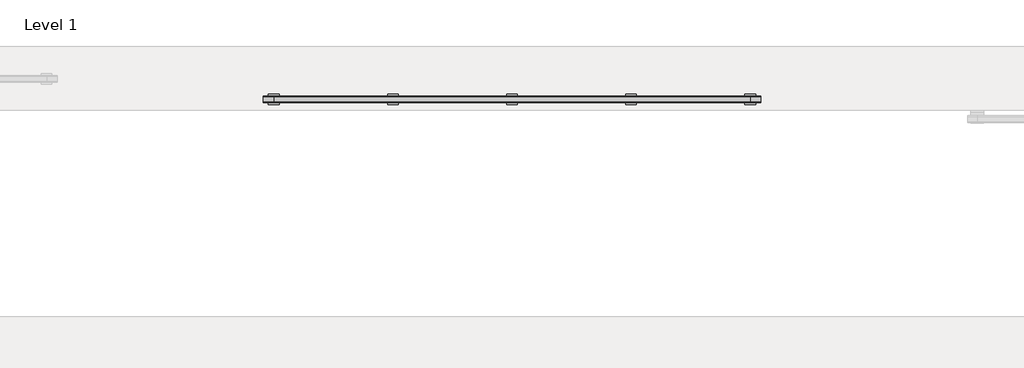
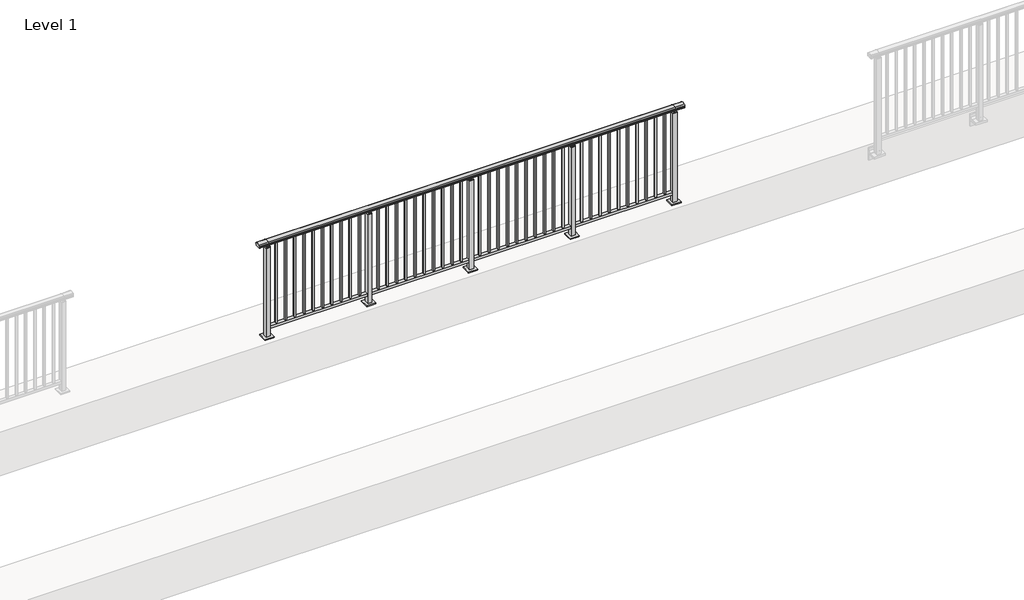
# One storey, part 30 of 64: 1 railing.
"""IFC4 building model written with IfcOpenShell, lengths in millimetres."""

from ifc_helpers import new_model, si_unit, frame, origin, origin_with_axes, place, context, project, spatial, polyline, circle_curve, outline, extrude, element, save
from ifc_brep_helpers import plane_surface, cylinder_surface, revolved_surface, advanced_brep

model = new_model("IFC4")

# Units and contexts
model_context = context("Model", 3, world=origin())
ifc_project = project(units=[si_unit("LENGTHUNIT", "METRE", prefix="MILLI")], contexts=[model_context])

# Site, building, storey
site = spatial("IfcSite", under=ifc_project)
building = spatial("IfcBuilding", under=site)
storey = spatial("IfcBuildingStorey", under=building, Name="Level 1", Elevation=0.0)

# Railing
placement = place(None, origin())
element("IfcRailing", 1, at=placement, inside=storey, context=model_context, shape_type="SolidModel", body=[
    advanced_brep(
    [(6400.0, 20025.3633756, 1095.6691182), (6400.0, 20030.1846828, 1081.1334092), (6400.0, 20029.2413744, 1069.2539035), (6400.0, 20031.1364177, 1061.4863007), (6400.0, 20029.4894799, 1060.384124), (6400.0, 20029.4894799, 1062.0), (6400.0, 19970.8798858, 1062.0), (6400.0, 19970.8798858, 1060.384124), (6400.0, 19969.232948, 1061.4863007), (6400.0, 19971.1279912, 1069.2539035), (6400.0, 19970.1846828, 1081.1334092), (6400.0, 19975.00599, 1095.6691182), (11000.0, 20025.3633756, 1095.6691182), (11000.0, 19975.00599, 1095.6691182), (11000.0, 19970.1846828, 1081.1334092), (11000.0, 19971.1279912, 1069.2539035), (11000.0, 19969.232948, 1061.4863007), (11000.0, 19970.8798858, 1060.384124), (11000.0, 19970.8798858, 1062.0), (11000.0, 20029.4894799, 1062.0), (11000.0, 20029.4894799, 1060.384124), (11000.0, 20031.1364177, 1061.4863007), (11000.0, 20029.2413744, 1069.2539035), (11000.0, 20030.1846828, 1081.1334092), (6500.0, 20025.3633756, 1095.6691182), (6500.0, 20030.1846828, 1081.1334092), (6500.0, 20029.2413744, 1069.2539035), (6500.0, 20031.1364177, 1061.4863007), (6500.0, 20029.4894799, 1060.384124), (6500.0, 20029.4894799, 1062.0), (6500.0, 19970.8798858, 1062.0), (6500.0, 19970.8798858, 1060.384124), (6500.0, 19969.232948, 1061.4863007), (6500.0, 19971.1279912, 1069.2539035), (6500.0, 19970.1846828, 1081.1334092), (6500.0, 19975.00599, 1095.6691182), (10900.0, 20025.3633756, 1095.6691182), (10900.0, 20030.1846828, 1081.1334092), (10900.0, 20029.2413744, 1069.2539035), (10900.0, 20031.1364177, 1061.4863007), (10900.0, 20029.4894799, 1060.384124), (10900.0, 20029.4894799, 1062.0), (10900.0, 19970.8798858, 1062.0), (10900.0, 19970.8798858, 1060.384124), (10900.0, 19969.232948, 1061.4863007), (10900.0, 19971.1279912, 1069.2539035), (10900.0, 19970.1846828, 1081.1334092), (10900.0, 19975.00599, 1095.6691182)],
    [
        (0, 1, circle_curve(frame((6400.0, 20022.1223845, 1086.526686), z_axis=(-1.0, 0.0, 0.0), x_axis=(0.0, -1.0, 0.0)), 9.6999015)),
        (1, 2, circle_curve(frame((6400.0, 20047.7252545, 1073.7633709), z_axis=(1.0, 0.0, 0.0), x_axis=(0.0, -1.0, 0.0)), 19.0260117)),
        (2, 3),
        (3, 4, circle_curve(frame((6400.0, 20030.2772073, 1060.9886194), z_axis=(-1.0, 0.0, 0.0), x_axis=(0.0, -1.0, 0.0)), 0.9929396)),
        (4, 5),
        (5, 6),
        (6, 7),
        (7, 8, circle_curve(frame((6400.0, 19970.0921584, 1060.9886194), z_axis=(-1.0, 0.0, 0.0), x_axis=(0.0, 1.0, 0.0)), 0.9929396)),
        (8, 9),
        (9, 10, circle_curve(frame((6400.0, 19952.6441111, 1073.7633709), z_axis=(1.0, 0.0, 0.0), x_axis=(0.0, 1.0, 0.0)), 19.0260117)),
        (10, 11, circle_curve(frame((6400.0, 19978.2469812, 1086.526686), z_axis=(-1.0, 0.0, 0.0), x_axis=(0.0, 1.0, 0.0)), 9.6999015)),
        (11, 0, circle_curve(frame((6400.0, 20000.1846828, 1024.6431628), z_axis=(-1.0, 0.0, 0.0), x_axis=(0.0, 1.0, 0.0)), 75.3568372)),
        (12, 13, circle_curve(frame((11000.0, 20000.1846828, 1024.6431628), z_axis=(1.0, 0.0, 0.0), x_axis=(0.0, 1.0, 0.0)), 75.3568372)),
        (13, 14, circle_curve(frame((11000.0, 19978.2469812, 1086.526686), z_axis=(1.0, 0.0, 0.0), x_axis=(0.0, 1.0, 0.0)), 9.6999015)),
        (14, 15, circle_curve(frame((11000.0, 19952.6441111, 1073.7633709), z_axis=(-1.0, 0.0, 0.0), x_axis=(0.0, 1.0, 0.0)), 19.0260117)),
        (15, 16),
        (16, 17, circle_curve(frame((11000.0, 19970.0921584, 1060.9886194), z_axis=(1.0, 0.0, 0.0), x_axis=(0.0, 1.0, 0.0)), 0.9929396)),
        (17, 18),
        (18, 19),
        (19, 20),
        (20, 21, circle_curve(frame((11000.0, 20030.2772073, 1060.9886194), z_axis=(1.0, 0.0, 0.0), x_axis=(0.0, -1.0, 0.0)), 0.9929396)),
        (21, 22),
        (22, 23, circle_curve(frame((11000.0, 20047.7252545, 1073.7633709), z_axis=(-1.0, 0.0, 0.0), x_axis=(0.0, -1.0, 0.0)), 19.0260117)),
        (23, 12, circle_curve(frame((11000.0, 20022.1223845, 1086.526686), z_axis=(1.0, 0.0, 0.0), x_axis=(0.0, -1.0, 0.0)), 9.6999015)),
        (0, 24),
        (24, 25, circle_curve(frame((6500.0, 20022.1223845, 1086.526686), z_axis=(-1.0, 0.0, 0.0), x_axis=(0.0, -1.0, 0.0)), 9.6999015)),
        (25, 1),
        (25, 26, circle_curve(frame((6500.0, 20047.7252545, 1073.7633709), z_axis=(1.0, 0.0, 0.0), x_axis=(0.0, -1.0, 0.0)), 19.0260117)),
        (26, 2),
        (26, 27),
        (27, 3),
        (27, 28, circle_curve(frame((6500.0, 20030.2772073, 1060.9886194), z_axis=(-1.0, 0.0, 0.0), x_axis=(0.0, -1.0, 0.0)), 0.9929396)),
        (28, 4),
        (28, 29),
        (29, 5),
        (29, 30),
        (30, 6),
        (30, 31),
        (31, 7),
        (31, 32, circle_curve(frame((6500.0, 19970.0921584, 1060.9886194), z_axis=(-1.0, 0.0, 0.0), x_axis=(0.0, 1.0, 0.0)), 0.9929396)),
        (32, 8),
        (32, 33),
        (33, 9),
        (33, 34, circle_curve(frame((6500.0, 19952.6441111, 1073.7633709), z_axis=(1.0, 0.0, 0.0), x_axis=(0.0, 1.0, 0.0)), 19.0260117)),
        (34, 10),
        (34, 35, circle_curve(frame((6500.0, 19978.2469812, 1086.526686), z_axis=(-1.0, 0.0, 0.0), x_axis=(0.0, 1.0, 0.0)), 9.6999015)),
        (35, 11),
        (35, 24, circle_curve(frame((6500.0, 20000.1846828, 1024.6431628), z_axis=(-1.0, 0.0, 0.0), x_axis=(0.0, 1.0, 0.0)), 75.3568372)),
        (24, 36),
        (36, 37, circle_curve(frame((10900.0, 20022.1223845, 1086.526686), z_axis=(-1.0, 0.0, 0.0), x_axis=(0.0, -1.0, 0.0)), 9.6999015)),
        (37, 25),
        (37, 38, circle_curve(frame((10900.0, 20047.7252545, 1073.7633709), z_axis=(1.0, 0.0, 0.0), x_axis=(0.0, -1.0, 0.0)), 19.0260117)),
        (38, 26),
        (38, 39),
        (39, 27),
        (39, 40, circle_curve(frame((10900.0, 20030.2772073, 1060.9886194), z_axis=(-1.0, 0.0, 0.0), x_axis=(0.0, -1.0, 0.0)), 0.9929396)),
        (40, 28),
        (40, 41),
        (41, 29),
        (41, 42),
        (42, 30),
        (42, 43),
        (43, 31),
        (43, 44, circle_curve(frame((10900.0, 19970.0921584, 1060.9886194), z_axis=(-1.0, 0.0, 0.0), x_axis=(0.0, 1.0, 0.0)), 0.9929396)),
        (44, 32),
        (44, 45),
        (45, 33),
        (45, 46, circle_curve(frame((10900.0, 19952.6441111, 1073.7633709), z_axis=(1.0, 0.0, 0.0), x_axis=(0.0, 1.0, 0.0)), 19.0260117)),
        (46, 34),
        (46, 47, circle_curve(frame((10900.0, 19978.2469812, 1086.526686), z_axis=(-1.0, 0.0, 0.0), x_axis=(0.0, 1.0, 0.0)), 9.6999015)),
        (47, 35),
        (47, 36, circle_curve(frame((10900.0, 20000.1846828, 1024.6431628), z_axis=(-1.0, 0.0, 0.0), x_axis=(0.0, 1.0, 0.0)), 75.3568372)),
        (36, 12),
        (23, 37),
        (22, 38),
        (21, 39),
        (20, 40),
        (19, 41),
        (18, 42),
        (17, 43),
        (16, 44),
        (15, 45),
        (14, 46),
        (13, 47),
    ],
    [
        plane_surface(frame((6400.0, 20000.1846828, 1100.0), z_axis=(-1.0, 0.0, 0.0), x_axis=(0.0, 1.0, 0.0))),
        plane_surface(frame((11000.0, 20000.1846828, 1100.0), z_axis=(1.0, 0.0, 0.0), x_axis=(0.0, 1.0, 0.0))),
        cylinder_surface(frame((6400.0, 20022.1223845, 1086.526686), z_axis=(-1.0, 0.0, 0.0), x_axis=(0.0, -1.0, 0.0)), 9.6999015),
        revolved_surface(polyline([(6500.0, 20028.6992428, 1073.7633709), (6400.0, 20028.6992428, 1073.7633709)]), (6400.0, 20047.7252545, 1073.7633709), (1.0, 0.0, 0.0)),
        plane_surface(frame((6400.0, 20029.2413744, 1069.2539035), z_axis=(0.0, 0.9715057689301543, 0.2370159086125439), x_axis=(1.0, 0.0, 0.0))),
        cylinder_surface(frame((6400.0, 20030.2772073, 1060.9886194), z_axis=(-1.0, 0.0, 0.0), x_axis=(0.0, -1.0, 0.0)), 0.9929396),
        plane_surface(frame((6400.0, 20029.4894799, 1060.384124), z_axis=(0.0, -1.0, 0.0), x_axis=(1.0, 0.0, 0.0))),
        plane_surface(frame((6400.0, 20029.4894799, 1062.0), z_axis=(0.0, 0.0, -1.0), x_axis=(1.0, 0.0, 0.0))),
        plane_surface(frame((6400.0, 19970.8798858, 1062.0), z_axis=(0.0, 1.0, 0.0), x_axis=(1.0, 0.0, 0.0))),
        cylinder_surface(frame((6400.0, 19970.0921584, 1060.9886194), z_axis=(-1.0, 0.0, 0.0), x_axis=(0.0, 1.0, 0.0)), 0.9929396),
        plane_surface(frame((6400.0, 19969.232948, 1061.4863007), z_axis=(0.0, -0.9715057689301543, 0.2370159086125439), x_axis=(1.0, 0.0, 0.0))),
        revolved_surface(polyline([(6500.0, 19971.6701228, 1073.7633709), (6400.0, 19971.6701228, 1073.7633709)]), (6400.0, 19952.6441111, 1073.7633709), (1.0, 0.0, 0.0)),
        cylinder_surface(frame((6400.0, 19978.2469812, 1086.526686), z_axis=(-1.0, 0.0, 0.0), x_axis=(0.0, 1.0, 0.0)), 9.6999015),
        cylinder_surface(frame((6400.0, 20000.1846828, 1024.6431628), z_axis=(-1.0, 0.0, 0.0), x_axis=(0.0, 1.0, 0.0)), 75.3568372),
        cylinder_surface(frame((6500.0, 20022.1223845, 1086.526686), z_axis=(-1.0, 0.0, 0.0), x_axis=(0.0, -1.0, 0.0)), 9.6999015),
        revolved_surface(polyline([(10900.0, 20028.6992428, 1073.7633709), (6500.0, 20028.6992428, 1073.7633709)]), (6500.0, 20047.7252545, 1073.7633709), (1.0, 0.0, 0.0)),
        plane_surface(frame((6500.0, 20029.2413744, 1069.2539035), z_axis=(0.0, 0.9715057689301543, 0.2370159086125439), x_axis=(1.0, 0.0, 0.0))),
        cylinder_surface(frame((6500.0, 20030.2772073, 1060.9886194), z_axis=(-1.0, 0.0, 0.0), x_axis=(0.0, -1.0, 0.0)), 0.9929396),
        plane_surface(frame((6500.0, 20029.4894799, 1060.384124), z_axis=(0.0, -1.0, 0.0), x_axis=(1.0, 0.0, 0.0))),
        plane_surface(frame((6500.0, 20029.4894799, 1062.0), z_axis=(0.0, 0.0, -1.0), x_axis=(1.0, 0.0, 0.0))),
        plane_surface(frame((6500.0, 19970.8798858, 1062.0), z_axis=(0.0, 1.0, 0.0), x_axis=(1.0, 0.0, 0.0))),
        cylinder_surface(frame((6500.0, 19970.0921584, 1060.9886194), z_axis=(-1.0, 0.0, 0.0), x_axis=(0.0, 1.0, 0.0)), 0.9929396),
        plane_surface(frame((6500.0, 19969.232948, 1061.4863007), z_axis=(0.0, -0.9715057689301543, 0.2370159086125439), x_axis=(1.0, 0.0, 0.0))),
        revolved_surface(polyline([(10900.0, 19971.6701228, 1073.7633709), (6500.0, 19971.6701228, 1073.7633709)]), (6500.0, 19952.6441111, 1073.7633709), (1.0, 0.0, 0.0)),
        cylinder_surface(frame((6500.0, 19978.2469812, 1086.526686), z_axis=(-1.0, 0.0, 0.0), x_axis=(0.0, 1.0, 0.0)), 9.6999015),
        cylinder_surface(frame((6500.0, 20000.1846828, 1024.6431628), z_axis=(-1.0, 0.0, 0.0), x_axis=(0.0, 1.0, 0.0)), 75.3568372),
        cylinder_surface(frame((10900.0, 20022.1223845, 1086.526686), z_axis=(-1.0, 0.0, 0.0), x_axis=(0.0, -1.0, 0.0)), 9.6999015),
        revolved_surface(polyline([(11000.0, 20028.6992428, 1073.7633709), (10900.0, 20028.6992428, 1073.7633709)]), (10900.0, 20047.7252545, 1073.7633709), (1.0, 0.0, 0.0)),
        plane_surface(frame((10900.0, 20029.2413744, 1069.2539035), z_axis=(0.0, 0.9715057689301543, 0.2370159086125439), x_axis=(1.0, 0.0, 0.0))),
        cylinder_surface(frame((10900.0, 20030.2772073, 1060.9886194), z_axis=(-1.0, 0.0, 0.0), x_axis=(0.0, -1.0, 0.0)), 0.9929396),
        plane_surface(frame((10900.0, 20029.4894799, 1060.384124), z_axis=(0.0, -1.0, 0.0), x_axis=(1.0, 0.0, 0.0))),
        plane_surface(frame((10900.0, 20029.4894799, 1062.0), z_axis=(0.0, 0.0, -1.0), x_axis=(1.0, 0.0, 0.0))),
        plane_surface(frame((10900.0, 19970.8798858, 1062.0), z_axis=(0.0, 1.0, 0.0), x_axis=(1.0, 0.0, 0.0))),
        cylinder_surface(frame((10900.0, 19970.0921584, 1060.9886194), z_axis=(-1.0, 0.0, 0.0), x_axis=(0.0, 1.0, 0.0)), 0.9929396),
        plane_surface(frame((10900.0, 19969.232948, 1061.4863007), z_axis=(0.0, -0.9715057689301543, 0.2370159086125439), x_axis=(1.0, 0.0, 0.0))),
        revolved_surface(polyline([(11000.0, 19971.6701228, 1073.7633709), (10900.0, 19971.6701228, 1073.7633709)]), (10900.0, 19952.6441111, 1073.7633709), (1.0, 0.0, 0.0)),
        cylinder_surface(frame((10900.0, 19978.2469812, 1086.526686), z_axis=(-1.0, 0.0, 0.0), x_axis=(0.0, 1.0, 0.0)), 9.6999015),
        cylinder_surface(frame((10900.0, 20000.1846828, 1024.6431628), z_axis=(-1.0, 0.0, 0.0), x_axis=(0.0, 1.0, 0.0)), 75.3568372),
    ],
    [
        (0, [[1, 2, 3, 4, 5, 6, 7, 8, 9, 10, 11, 12]]),
        (1, [[13, 14, 15, 16, 17, 18, 19, 20, 21, 22, 23, 24]]),
        (2, [[-1, 25, 26, 27]]),
        (3, [[-2, -27, 28, 29]]),
        (4, [[-3, -29, 30, 31]]),
        (5, [[-4, -31, 32, 33]]),
        (6, [[-5, -33, 34, 35]]),
        (7, [[-6, -35, 36, 37]]),
        (8, [[-7, -37, 38, 39]]),
        (9, [[-8, -39, 40, 41]]),
        (10, [[-9, -41, 42, 43]]),
        (11, [[-10, -43, 44, 45]]),
        (12, [[-11, -45, 46, 47]]),
        (13, [[-12, -47, 48, -25]]),
        (14, [[-26, 49, 50, 51]]),
        (15, [[-28, -51, 52, 53]]),
        (16, [[-30, -53, 54, 55]]),
        (17, [[-32, -55, 56, 57]]),
        (18, [[-34, -57, 58, 59]]),
        (19, [[-36, -59, 60, 61]]),
        (20, [[-38, -61, 62, 63]]),
        (21, [[-40, -63, 64, 65]]),
        (22, [[-42, -65, 66, 67]]),
        (23, [[-44, -67, 68, 69]]),
        (24, [[-46, -69, 70, 71]]),
        (25, [[-48, -71, 72, -49]]),
        (26, [[-50, 73, -24, 74]]),
        (27, [[-52, -74, -23, 75]]),
        (28, [[-54, -75, -22, 76]]),
        (29, [[-56, -76, -21, 77]]),
        (30, [[-58, -77, -20, 78]]),
        (31, [[-60, -78, -19, 79]]),
        (32, [[-62, -79, -18, 80]]),
        (33, [[-64, -80, -17, 81]]),
        (34, [[-66, -81, -16, 82]]),
        (35, [[-68, -82, -15, 83]]),
        (36, [[-70, -83, -14, 84]]),
        (37, [[-72, -84, -13, -73]]),
    ],
),
    extrude(outline(polyline([(6500.0, 19982.6846828), (6500.0, 20017.6846828), (10900.0, 20017.6846828), (10900.0, 19982.6846828), (6500.0, 19982.6846828)])), frame((0.0, 0.0, 95.0), z_axis=(0.0, 0.0, 1.0), x_axis=(1.0, 0.0, 0.0)), (0.0, 0.0, 1.0), 30.0),
    extrude(outline(polyline([(10808.5, 20008.6846828), (10808.5, 19991.6846828), (10791.5, 19991.6846828), (10791.5, 20008.6846828), (10808.5, 20008.6846828)])), frame((0.0, 0.0, 125.0), z_axis=(0.0, 0.0, 1.0), x_axis=(1.0, 0.0, 0.0)), (0.0, 0.0, 1.0), 930.0),
    extrude(outline(polyline([(10708.5, 20008.6846828), (10708.5, 19991.6846828), (10691.5, 19991.6846828), (10691.5, 20008.6846828), (10708.5, 20008.6846828)])), frame((0.0, 0.0, 125.0), z_axis=(0.0, 0.0, 1.0), x_axis=(1.0, 0.0, 0.0)), (0.0, 0.0, 1.0), 930.0),
    extrude(outline(polyline([(10608.5, 20008.6846828), (10608.5, 19991.6846828), (10591.5, 19991.6846828), (10591.5, 20008.6846828), (10608.5, 20008.6846828)])), frame((0.0, 0.0, 125.0), z_axis=(0.0, 0.0, 1.0), x_axis=(1.0, 0.0, 0.0)), (0.0, 0.0, 1.0), 930.0),
    extrude(outline(polyline([(10508.5, 20008.6846828), (10508.5, 19991.6846828), (10491.5, 19991.6846828), (10491.5, 20008.6846828), (10508.5, 20008.6846828)])), frame((0.0, 0.0, 125.0), z_axis=(0.0, 0.0, 1.0), x_axis=(1.0, 0.0, 0.0)), (0.0, 0.0, 1.0), 930.0),
    extrude(outline(polyline([(10408.5, 20008.6846828), (10408.5, 19991.6846828), (10391.5, 19991.6846828), (10391.5, 20008.6846828), (10408.5, 20008.6846828)])), frame((0.0, 0.0, 125.0), z_axis=(0.0, 0.0, 1.0), x_axis=(1.0, 0.0, 0.0)), (0.0, 0.0, 1.0), 930.0),
    extrude(outline(polyline([(10308.5, 20008.6846828), (10308.5, 19991.6846828), (10291.5, 19991.6846828), (10291.5, 20008.6846828), (10308.5, 20008.6846828)])), frame((0.0, 0.0, 125.0), z_axis=(0.0, 0.0, 1.0), x_axis=(1.0, 0.0, 0.0)), (0.0, 0.0, 1.0), 930.0),
    extrude(outline(polyline([(10208.5, 20008.6846828), (10208.5, 19991.6846828), (10191.5, 19991.6846828), (10191.5, 20008.6846828), (10208.5, 20008.6846828)])), frame((0.0, 0.0, 125.0), z_axis=(0.0, 0.0, 1.0), x_axis=(1.0, 0.0, 0.0)), (0.0, 0.0, 1.0), 930.0),
    extrude(outline(polyline([(10108.5, 20008.6846828), (10108.5, 19991.6846828), (10091.5, 19991.6846828), (10091.5, 20008.6846828), (10108.5, 20008.6846828)])), frame((0.0, 0.0, 125.0), z_axis=(0.0, 0.0, 1.0), x_axis=(1.0, 0.0, 0.0)), (0.0, 0.0, 1.0), 930.0),
    extrude(outline(polyline([(10008.5, 20008.6846828), (10008.5, 19991.6846828), (9991.5, 19991.6846828), (9991.5, 20008.6846828), (10008.5, 20008.6846828)])), frame((0.0, 0.0, 125.0), z_axis=(0.0, 0.0, 1.0), x_axis=(1.0, 0.0, 0.0)), (0.0, 0.0, 1.0), 930.0),
    extrude(outline(polyline([(9908.5, 20008.6846828), (9908.5, 19991.6846828), (9891.5, 19991.6846828), (9891.5, 20008.6846828), (9908.5, 20008.6846828)])), frame((0.0, 0.0, 125.0), z_axis=(0.0, 0.0, 1.0), x_axis=(1.0, 0.0, 0.0)), (0.0, 0.0, 1.0), 930.0),
    extrude(outline(polyline([(9810.0, 19990.1846828), (9790.0, 19990.1846828), (9790.0, 20010.1846828), (9810.0, 20010.1846828), (9810.0, 19990.1846828)])), frame((0.0, 0.0, 1035.0), z_axis=(0.0, 0.0, 1.0), x_axis=(1.0, 0.0, 0.0)), (0.0, 0.0, 1.0), 20.0),
    extrude(outline(polyline([(9822.5, 19977.6846828), (9777.5, 19977.6846828), (9777.5, 20022.6846828), (9822.5, 20022.6846828), (9822.5, 19977.6846828)])), frame((0.0, 0.0, 1027.0), z_axis=(0.0, 0.0, 1.0), x_axis=(1.0, 0.0, 0.0)), (0.0, 0.0, 1.0), 8.0),
    extrude(outline(polyline([(9850.0, 19950.1846828), (9750.0, 19950.1846828), (9750.0, 20050.1846828), (9850.0, 20050.1846828), (9850.0, 19950.1846828)])), origin_with_axes(), (0.0, 0.0, 1.0), 12.0),
    extrude(outline(polyline([(9822.5, 19977.6846828), (9777.5, 19977.6846828), (9777.5, 20022.6846828), (9822.5, 20022.6846828), (9822.5, 19977.6846828)])), frame((0.0, 0.0, 12.0), z_axis=(0.0, 0.0, 1.0), x_axis=(1.0, 0.0, 0.0)), (0.0, 0.0, 1.0), 1015.0),
    extrude(outline(polyline([(9708.5, 20008.6846828), (9708.5, 19991.6846828), (9691.5, 19991.6846828), (9691.5, 20008.6846828), (9708.5, 20008.6846828)])), frame((0.0, 0.0, 125.0), z_axis=(0.0, 0.0, 1.0), x_axis=(1.0, 0.0, 0.0)), (0.0, 0.0, 1.0), 930.0),
    extrude(outline(polyline([(9608.5, 20008.6846828), (9608.5, 19991.6846828), (9591.5, 19991.6846828), (9591.5, 20008.6846828), (9608.5, 20008.6846828)])), frame((0.0, 0.0, 125.0), z_axis=(0.0, 0.0, 1.0), x_axis=(1.0, 0.0, 0.0)), (0.0, 0.0, 1.0), 930.0),
    extrude(outline(polyline([(9508.5, 20008.6846828), (9508.5, 19991.6846828), (9491.5, 19991.6846828), (9491.5, 20008.6846828), (9508.5, 20008.6846828)])), frame((0.0, 0.0, 125.0), z_axis=(0.0, 0.0, 1.0), x_axis=(1.0, 0.0, 0.0)), (0.0, 0.0, 1.0), 930.0),
    extrude(outline(polyline([(9408.5, 20008.6846828), (9408.5, 19991.6846828), (9391.5, 19991.6846828), (9391.5, 20008.6846828), (9408.5, 20008.6846828)])), frame((0.0, 0.0, 125.0), z_axis=(0.0, 0.0, 1.0), x_axis=(1.0, 0.0, 0.0)), (0.0, 0.0, 1.0), 930.0),
    extrude(outline(polyline([(9308.5, 20008.6846828), (9308.5, 19991.6846828), (9291.5, 19991.6846828), (9291.5, 20008.6846828), (9308.5, 20008.6846828)])), frame((0.0, 0.0, 125.0), z_axis=(0.0, 0.0, 1.0), x_axis=(1.0, 0.0, 0.0)), (0.0, 0.0, 1.0), 930.0),
    extrude(outline(polyline([(9208.5, 20008.6846828), (9208.5, 19991.6846828), (9191.5, 19991.6846828), (9191.5, 20008.6846828), (9208.5, 20008.6846828)])), frame((0.0, 0.0, 125.0), z_axis=(0.0, 0.0, 1.0), x_axis=(1.0, 0.0, 0.0)), (0.0, 0.0, 1.0), 930.0),
    extrude(outline(polyline([(9108.5, 20008.6846828), (9108.5, 19991.6846828), (9091.5, 19991.6846828), (9091.5, 20008.6846828), (9108.5, 20008.6846828)])), frame((0.0, 0.0, 125.0), z_axis=(0.0, 0.0, 1.0), x_axis=(1.0, 0.0, 0.0)), (0.0, 0.0, 1.0), 930.0),
    extrude(outline(polyline([(9008.5, 20008.6846828), (9008.5, 19991.6846828), (8991.5, 19991.6846828), (8991.5, 20008.6846828), (9008.5, 20008.6846828)])), frame((0.0, 0.0, 125.0), z_axis=(0.0, 0.0, 1.0), x_axis=(1.0, 0.0, 0.0)), (0.0, 0.0, 1.0), 930.0),
    extrude(outline(polyline([(8908.5, 20008.6846828), (8908.5, 19991.6846828), (8891.5, 19991.6846828), (8891.5, 20008.6846828), (8908.5, 20008.6846828)])), frame((0.0, 0.0, 125.0), z_axis=(0.0, 0.0, 1.0), x_axis=(1.0, 0.0, 0.0)), (0.0, 0.0, 1.0), 930.0),
    extrude(outline(polyline([(8808.5, 20008.6846828), (8808.5, 19991.6846828), (8791.5, 19991.6846828), (8791.5, 20008.6846828), (8808.5, 20008.6846828)])), frame((0.0, 0.0, 125.0), z_axis=(0.0, 0.0, 1.0), x_axis=(1.0, 0.0, 0.0)), (0.0, 0.0, 1.0), 930.0),
    extrude(outline(polyline([(8710.0, 19990.1846828), (8690.0, 19990.1846828), (8690.0, 20010.1846828), (8710.0, 20010.1846828), (8710.0, 19990.1846828)])), frame((0.0, 0.0, 1035.0), z_axis=(0.0, 0.0, 1.0), x_axis=(1.0, 0.0, 0.0)), (0.0, 0.0, 1.0), 20.0),
    extrude(outline(polyline([(8722.5, 19977.6846828), (8677.5, 19977.6846828), (8677.5, 20022.6846828), (8722.5, 20022.6846828), (8722.5, 19977.6846828)])), frame((0.0, 0.0, 1027.0), z_axis=(0.0, 0.0, 1.0), x_axis=(1.0, 0.0, 0.0)), (0.0, 0.0, 1.0), 8.0),
    extrude(outline(polyline([(8750.0, 19950.1846828), (8650.0, 19950.1846828), (8650.0, 20050.1846828), (8750.0, 20050.1846828), (8750.0, 19950.1846828)])), origin_with_axes(), (0.0, 0.0, 1.0), 12.0),
    extrude(outline(polyline([(8722.5, 19977.6846828), (8677.5, 19977.6846828), (8677.5, 20022.6846828), (8722.5, 20022.6846828), (8722.5, 19977.6846828)])), frame((0.0, 0.0, 12.0), z_axis=(0.0, 0.0, 1.0), x_axis=(1.0, 0.0, 0.0)), (0.0, 0.0, 1.0), 1015.0),
    extrude(outline(polyline([(8608.5, 20008.6846828), (8608.5, 19991.6846828), (8591.5, 19991.6846828), (8591.5, 20008.6846828), (8608.5, 20008.6846828)])), frame((0.0, 0.0, 125.0), z_axis=(0.0, 0.0, 1.0), x_axis=(1.0, 0.0, 0.0)), (0.0, 0.0, 1.0), 930.0),
    extrude(outline(polyline([(8508.5, 20008.6846828), (8508.5, 19991.6846828), (8491.5, 19991.6846828), (8491.5, 20008.6846828), (8508.5, 20008.6846828)])), frame((0.0, 0.0, 125.0), z_axis=(0.0, 0.0, 1.0), x_axis=(1.0, 0.0, 0.0)), (0.0, 0.0, 1.0), 930.0),
    extrude(outline(polyline([(8408.5, 20008.6846828), (8408.5, 19991.6846828), (8391.5, 19991.6846828), (8391.5, 20008.6846828), (8408.5, 20008.6846828)])), frame((0.0, 0.0, 125.0), z_axis=(0.0, 0.0, 1.0), x_axis=(1.0, 0.0, 0.0)), (0.0, 0.0, 1.0), 930.0),
    extrude(outline(polyline([(8308.5, 20008.6846828), (8308.5, 19991.6846828), (8291.5, 19991.6846828), (8291.5, 20008.6846828), (8308.5, 20008.6846828)])), frame((0.0, 0.0, 125.0), z_axis=(0.0, 0.0, 1.0), x_axis=(1.0, 0.0, 0.0)), (0.0, 0.0, 1.0), 930.0),
    extrude(outline(polyline([(8208.5, 20008.6846828), (8208.5, 19991.6846828), (8191.5, 19991.6846828), (8191.5, 20008.6846828), (8208.5, 20008.6846828)])), frame((0.0, 0.0, 125.0), z_axis=(0.0, 0.0, 1.0), x_axis=(1.0, 0.0, 0.0)), (0.0, 0.0, 1.0), 930.0),
    extrude(outline(polyline([(8108.5, 20008.6846828), (8108.5, 19991.6846828), (8091.5, 19991.6846828), (8091.5, 20008.6846828), (8108.5, 20008.6846828)])), frame((0.0, 0.0, 125.0), z_axis=(0.0, 0.0, 1.0), x_axis=(1.0, 0.0, 0.0)), (0.0, 0.0, 1.0), 930.0),
    extrude(outline(polyline([(8008.5, 20008.6846828), (8008.5, 19991.6846828), (7991.5, 19991.6846828), (7991.5, 20008.6846828), (8008.5, 20008.6846828)])), frame((0.0, 0.0, 125.0), z_axis=(0.0, 0.0, 1.0), x_axis=(1.0, 0.0, 0.0)), (0.0, 0.0, 1.0), 930.0),
    extrude(outline(polyline([(7908.5, 20008.6846828), (7908.5, 19991.6846828), (7891.5, 19991.6846828), (7891.5, 20008.6846828), (7908.5, 20008.6846828)])), frame((0.0, 0.0, 125.0), z_axis=(0.0, 0.0, 1.0), x_axis=(1.0, 0.0, 0.0)), (0.0, 0.0, 1.0), 930.0),
    extrude(outline(polyline([(7808.5, 20008.6846828), (7808.5, 19991.6846828), (7791.5, 19991.6846828), (7791.5, 20008.6846828), (7808.5, 20008.6846828)])), frame((0.0, 0.0, 125.0), z_axis=(0.0, 0.0, 1.0), x_axis=(1.0, 0.0, 0.0)), (0.0, 0.0, 1.0), 930.0),
    extrude(outline(polyline([(7708.5, 20008.6846828), (7708.5, 19991.6846828), (7691.5, 19991.6846828), (7691.5, 20008.6846828), (7708.5, 20008.6846828)])), frame((0.0, 0.0, 125.0), z_axis=(0.0, 0.0, 1.0), x_axis=(1.0, 0.0, 0.0)), (0.0, 0.0, 1.0), 930.0),
    extrude(outline(polyline([(7610.0, 19990.1846828), (7590.0, 19990.1846828), (7590.0, 20010.1846828), (7610.0, 20010.1846828), (7610.0, 19990.1846828)])), frame((0.0, 0.0, 1035.0), z_axis=(0.0, 0.0, 1.0), x_axis=(1.0, 0.0, 0.0)), (0.0, 0.0, 1.0), 20.0),
    extrude(outline(polyline([(7622.5, 19977.6846828), (7577.5, 19977.6846828), (7577.5, 20022.6846828), (7622.5, 20022.6846828), (7622.5, 19977.6846828)])), frame((0.0, 0.0, 1027.0), z_axis=(0.0, 0.0, 1.0), x_axis=(1.0, 0.0, 0.0)), (0.0, 0.0, 1.0), 8.0),
    extrude(outline(polyline([(7650.0, 19950.1846828), (7550.0, 19950.1846828), (7550.0, 20050.1846828), (7650.0, 20050.1846828), (7650.0, 19950.1846828)])), origin_with_axes(), (0.0, 0.0, 1.0), 12.0),
    extrude(outline(polyline([(7622.5, 19977.6846828), (7577.5, 19977.6846828), (7577.5, 20022.6846828), (7622.5, 20022.6846828), (7622.5, 19977.6846828)])), frame((0.0, 0.0, 12.0), z_axis=(0.0, 0.0, 1.0), x_axis=(1.0, 0.0, 0.0)), (0.0, 0.0, 1.0), 1015.0),
    extrude(outline(polyline([(7508.5, 20008.6846828), (7508.5, 19991.6846828), (7491.5, 19991.6846828), (7491.5, 20008.6846828), (7508.5, 20008.6846828)])), frame((0.0, 0.0, 125.0), z_axis=(0.0, 0.0, 1.0), x_axis=(1.0, 0.0, 0.0)), (0.0, 0.0, 1.0), 930.0),
    extrude(outline(polyline([(7408.5, 20008.6846828), (7408.5, 19991.6846828), (7391.5, 19991.6846828), (7391.5, 20008.6846828), (7408.5, 20008.6846828)])), frame((0.0, 0.0, 125.0), z_axis=(0.0, 0.0, 1.0), x_axis=(1.0, 0.0, 0.0)), (0.0, 0.0, 1.0), 930.0),
    extrude(outline(polyline([(7308.5, 20008.6846828), (7308.5, 19991.6846828), (7291.5, 19991.6846828), (7291.5, 20008.6846828), (7308.5, 20008.6846828)])), frame((0.0, 0.0, 125.0), z_axis=(0.0, 0.0, 1.0), x_axis=(1.0, 0.0, 0.0)), (0.0, 0.0, 1.0), 930.0),
    extrude(outline(polyline([(7208.5, 20008.6846828), (7208.5, 19991.6846828), (7191.5, 19991.6846828), (7191.5, 20008.6846828), (7208.5, 20008.6846828)])), frame((0.0, 0.0, 125.0), z_axis=(0.0, 0.0, 1.0), x_axis=(1.0, 0.0, 0.0)), (0.0, 0.0, 1.0), 930.0),
    extrude(outline(polyline([(7108.5, 20008.6846828), (7108.5, 19991.6846828), (7091.5, 19991.6846828), (7091.5, 20008.6846828), (7108.5, 20008.6846828)])), frame((0.0, 0.0, 125.0), z_axis=(0.0, 0.0, 1.0), x_axis=(1.0, 0.0, 0.0)), (0.0, 0.0, 1.0), 930.0),
    extrude(outline(polyline([(7008.5, 20008.6846828), (7008.5, 19991.6846828), (6991.5, 19991.6846828), (6991.5, 20008.6846828), (7008.5, 20008.6846828)])), frame((0.0, 0.0, 125.0), z_axis=(0.0, 0.0, 1.0), x_axis=(1.0, 0.0, 0.0)), (0.0, 0.0, 1.0), 930.0),
    extrude(outline(polyline([(6908.5, 20008.6846828), (6908.5, 19991.6846828), (6891.5, 19991.6846828), (6891.5, 20008.6846828), (6908.5, 20008.6846828)])), frame((0.0, 0.0, 125.0), z_axis=(0.0, 0.0, 1.0), x_axis=(1.0, 0.0, 0.0)), (0.0, 0.0, 1.0), 930.0),
    extrude(outline(polyline([(6808.5, 20008.6846828), (6808.5, 19991.6846828), (6791.5, 19991.6846828), (6791.5, 20008.6846828), (6808.5, 20008.6846828)])), frame((0.0, 0.0, 125.0), z_axis=(0.0, 0.0, 1.0), x_axis=(1.0, 0.0, 0.0)), (0.0, 0.0, 1.0), 930.0),
    extrude(outline(polyline([(6708.5, 20008.6846828), (6708.5, 19991.6846828), (6691.5, 19991.6846828), (6691.5, 20008.6846828), (6708.5, 20008.6846828)])), frame((0.0, 0.0, 125.0), z_axis=(0.0, 0.0, 1.0), x_axis=(1.0, 0.0, 0.0)), (0.0, 0.0, 1.0), 930.0),
    extrude(outline(polyline([(6608.5, 20008.6846828), (6608.5, 19991.6846828), (6591.5, 19991.6846828), (6591.5, 20008.6846828), (6608.5, 20008.6846828)])), frame((0.0, 0.0, 125.0), z_axis=(0.0, 0.0, 1.0), x_axis=(1.0, 0.0, 0.0)), (0.0, 0.0, 1.0), 930.0),
    extrude(outline(polyline([(10910.0, 19990.1846828), (10890.0, 19990.1846828), (10890.0, 20010.1846828), (10910.0, 20010.1846828), (10910.0, 19990.1846828)])), frame((0.0, 0.0, 1035.0), z_axis=(0.0, 0.0, 1.0), x_axis=(1.0, 0.0, 0.0)), (0.0, 0.0, 1.0), 20.0),
    extrude(outline(polyline([(10922.5, 19977.6846828), (10877.5, 19977.6846828), (10877.5, 20022.6846828), (10922.5, 20022.6846828), (10922.5, 19977.6846828)])), frame((0.0, 0.0, 1027.0), z_axis=(0.0, 0.0, 1.0), x_axis=(1.0, 0.0, 0.0)), (0.0, 0.0, 1.0), 8.0),
    extrude(outline(polyline([(10950.0, 19950.1846828), (10850.0, 19950.1846828), (10850.0, 20050.1846828), (10950.0, 20050.1846828), (10950.0, 19950.1846828)])), origin_with_axes(), (0.0, 0.0, 1.0), 12.0),
    extrude(outline(polyline([(10922.5, 19977.6846828), (10877.5, 19977.6846828), (10877.5, 20022.6846828), (10922.5, 20022.6846828), (10922.5, 19977.6846828)])), frame((0.0, 0.0, 12.0), z_axis=(0.0, 0.0, 1.0), x_axis=(1.0, 0.0, 0.0)), (0.0, 0.0, 1.0), 1015.0),
    extrude(outline(polyline([(6510.0, 19990.1846828), (6490.0, 19990.1846828), (6490.0, 20010.1846828), (6510.0, 20010.1846828), (6510.0, 19990.1846828)])), frame((0.0, 0.0, 1035.0), z_axis=(0.0, 0.0, 1.0), x_axis=(1.0, 0.0, 0.0)), (0.0, 0.0, 1.0), 20.0),
    extrude(outline(polyline([(6522.5, 19977.6846828), (6477.5, 19977.6846828), (6477.5, 20022.6846828), (6522.5, 20022.6846828), (6522.5, 19977.6846828)])), frame((0.0, 0.0, 1027.0), z_axis=(0.0, 0.0, 1.0), x_axis=(1.0, 0.0, 0.0)), (0.0, 0.0, 1.0), 8.0),
    extrude(outline(polyline([(6550.0, 19950.1846828), (6450.0, 19950.1846828), (6450.0, 20050.1846828), (6550.0, 20050.1846828), (6550.0, 19950.1846828)])), origin_with_axes(), (0.0, 0.0, 1.0), 12.0),
    extrude(outline(polyline([(6522.5, 19977.6846828), (6477.5, 19977.6846828), (6477.5, 20022.6846828), (6522.5, 20022.6846828), (6522.5, 19977.6846828)])), frame((0.0, 0.0, 12.0), z_axis=(0.0, 0.0, 1.0), x_axis=(1.0, 0.0, 0.0)), (0.0, 0.0, 1.0), 1015.0),
])

save(model, "model.ifc")
